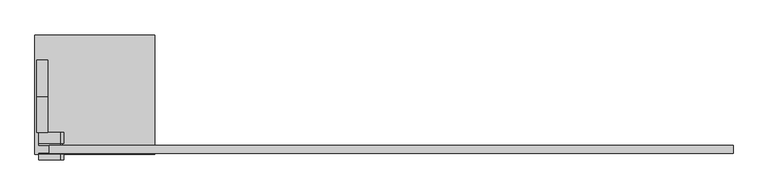
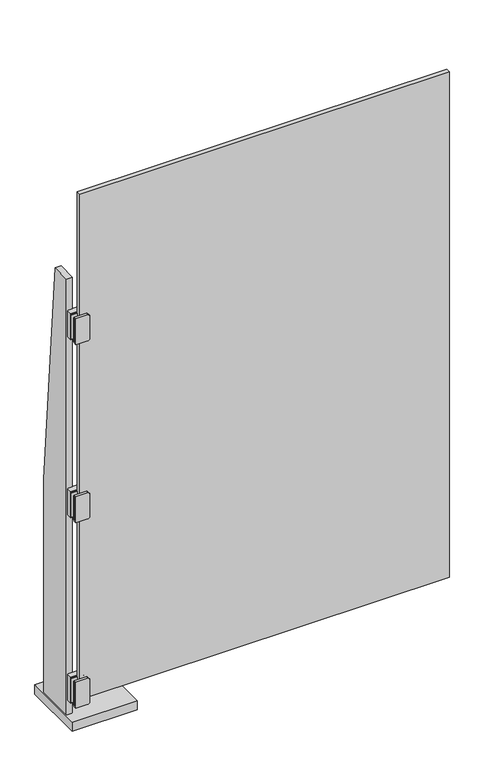
"""IFC4 building model written with IfcOpenShell, lengths in millimetres: plate geometry."""

from ifc_helpers import new_model, si_unit, point, frame, frame_2d, origin, origin_with_axes, place, context, project, spatial, polyline, circle_curve, trimmed, segment, composite_curve, outline, extrude, source, transform, mapped, element, save


def plate_0f1a008a(model_context):
    return source(origin(), model_context, "Body", "SweptSolid", [
        extrude(outline(polyline([(50.8, 762.0), (50.8, 0.0), (-76.2, 0.0), (-76.2, 1524.0), (-12.7, 1524.0), (50.8, 762.0)])), frame((-619.1250002, 0.0, 0.0), z_axis=(1.0, 0.0, 0.0), x_axis=(0.0, 1.0, 0.0)), (0.0, 0.0, 1.0), 19.05),
        extrude(outline(composite_curve([segment(polyline([(168.275, -615.9500002), (85.725, -615.9500002), (85.725, -577.8500002)]), True, "CONTINUOUS"), segment(trimmed(circle_curve(frame_2d((88.9, -577.8500002)), 3.175), [point((85.725, -577.8500002))], [point((88.9, -574.6750002))], False, "CARTESIAN"), True, "CONTINUOUS"), segment(polyline([(88.9, -574.6750002), (165.1, -574.6750002)]), True, "CONTINUOUS"), segment(trimmed(circle_curve(frame_2d((165.1, -577.8500002)), 3.175), [point((165.1, -574.6750002))], [point((168.275, -577.8500002))], False, "CARTESIAN"), True, "CONTINUOUS"), segment(polyline([(168.275, -577.8500002), (168.275, -615.9500002)]), True, "CONTINUOUS")], self_intersect=False)), frame((0.0, -114.3, 0.0), z_axis=(0.0, 1.0, 0.0), x_axis=(0.0, 0.0, 1.0)), (0.0, 0.0, 1.0), 1.5875),
        extrude(outline(composite_curve([segment(polyline([(168.275, -615.9500002), (85.725, -615.9500002), (85.725, -577.8500002)]), True, "CONTINUOUS"), segment(trimmed(circle_curve(frame_2d((88.9, -577.8500002)), 3.175), [point((85.725, -577.8500002))], [point((88.9, -574.6750002))], False, "CARTESIAN"), True, "CONTINUOUS"), segment(polyline([(88.9, -574.6750002), (165.1, -574.6750002)]), True, "CONTINUOUS"), segment(trimmed(circle_curve(frame_2d((165.1, -577.8500002)), 3.175), [point((165.1, -574.6750002))], [point((168.275, -577.8500002))], False, "CARTESIAN"), True, "CONTINUOUS"), segment(polyline([(168.275, -577.8500002), (168.275, -615.9500002)]), True, "CONTINUOUS")], self_intersect=False)), frame((0.0, -98.425, 0.0), z_axis=(0.0, 1.0, 0.0), x_axis=(0.0, 0.0, 1.0)), (0.0, 0.0, 1.0), 3.175),
        extrude(outline(composite_curve([segment(trimmed(circle_curve(frame_2d((165.1, -577.8500002)), 6.35), [point((165.1, -571.5000002))], [point((171.45, -577.8500002))], False, "CARTESIAN"), True, "CONTINUOUS"), segment(polyline([(171.45, -577.8500002), (171.45, -615.9500002), (82.55, -615.9500002), (82.55, -577.8500002)]), True, "CONTINUOUS"), segment(trimmed(circle_curve(frame_2d((88.9, -577.8500002)), 6.35), [point((82.55, -577.8500002))], [point((88.9, -571.5000002))], False, "CARTESIAN"), True, "CONTINUOUS"), segment(polyline([(88.9, -571.5000002), (165.1, -571.5000002)]), True, "CONTINUOUS")], self_intersect=False)), frame((0.0, -123.825, 0.0), z_axis=(0.0, 1.0, 0.0), x_axis=(0.0, 0.0, 1.0)), (0.0, 0.0, 1.0), 9.525),
        extrude(outline(composite_curve([segment(trimmed(circle_curve(frame_2d((165.1, -577.8500002)), 6.35), [point((165.1, -571.5000002))], [point((171.45, -577.8500002))], False, "CARTESIAN"), True, "CONTINUOUS"), segment(polyline([(171.45, -577.8500002), (171.45, -615.9500002), (82.55, -615.9500002), (82.55, -577.8500002)]), True, "CONTINUOUS"), segment(trimmed(circle_curve(frame_2d((88.9, -577.8500002)), 6.35), [point((82.55, -577.8500002))], [point((88.9, -571.5000002))], False, "CARTESIAN"), True, "CONTINUOUS"), segment(polyline([(88.9, -571.5000002), (165.1, -571.5000002)]), True, "CONTINUOUS")], self_intersect=False)), frame((0.0, -95.25, 0.0), z_axis=(0.0, 1.0, 0.0), x_axis=(0.0, 0.0, 1.0)), (0.0, 0.0, 1.0), 19.05),
        extrude(outline(polyline([(-412.7500002, 95.25), (-412.7500002, -114.3), (-622.3000002, -114.3), (-622.3000002, 95.25), (-412.7500002, 95.25)])), origin_with_axes(), (0.0, 0.0, 1.0), 31.75),
        extrude(outline(composite_curve([segment(polyline([(1412.875, -615.9500002), (1330.325, -615.9500002), (1330.325, -577.8500002)]), True, "CONTINUOUS"), segment(trimmed(circle_curve(frame_2d((1333.5, -577.8500002)), 3.175), [point((1330.325, -577.8500002))], [point((1333.5, -574.6750002))], False, "CARTESIAN"), True, "CONTINUOUS"), segment(polyline([(1333.5, -574.6750002), (1409.7, -574.6750002)]), True, "CONTINUOUS"), segment(trimmed(circle_curve(frame_2d((1409.7, -577.8500002)), 3.175), [point((1409.7, -574.6750002))], [point((1412.875, -577.8500002))], False, "CARTESIAN"), True, "CONTINUOUS"), segment(polyline([(1412.875, -577.8500002), (1412.875, -615.9500002)]), True, "CONTINUOUS")], self_intersect=False)), frame((0.0, -114.3, 0.0), z_axis=(0.0, 1.0, 0.0), x_axis=(0.0, 0.0, 1.0)), (0.0, 0.0, 1.0), 1.5875),
        extrude(outline(composite_curve([segment(polyline([(1412.875, -615.9500002), (1330.325, -615.9500002), (1330.325, -577.8500002)]), True, "CONTINUOUS"), segment(trimmed(circle_curve(frame_2d((1333.5, -577.8500002)), 3.175), [point((1330.325, -577.8500002))], [point((1333.5, -574.6750002))], False, "CARTESIAN"), True, "CONTINUOUS"), segment(polyline([(1333.5, -574.6750002), (1409.7, -574.6750002)]), True, "CONTINUOUS"), segment(trimmed(circle_curve(frame_2d((1409.7, -577.8500002)), 3.175), [point((1409.7, -574.6750002))], [point((1412.875, -577.8500002))], False, "CARTESIAN"), True, "CONTINUOUS"), segment(polyline([(1412.875, -577.8500002), (1412.875, -615.9500002)]), True, "CONTINUOUS")], self_intersect=False)), frame((0.0, -98.425, 0.0), z_axis=(0.0, 1.0, 0.0), x_axis=(0.0, 0.0, 1.0)), (0.0, 0.0, 1.0), 3.175),
        extrude(outline(composite_curve([segment(trimmed(circle_curve(frame_2d((1409.7, -577.8500002)), 6.35), [point((1409.7, -571.5000002))], [point((1416.05, -577.8500002))], False, "CARTESIAN"), True, "CONTINUOUS"), segment(polyline([(1416.05, -577.8500002), (1416.05, -615.9500002), (1327.15, -615.9500002), (1327.15, -577.8500002)]), True, "CONTINUOUS"), segment(trimmed(circle_curve(frame_2d((1333.5, -577.8500002)), 6.35), [point((1327.15, -577.8500002))], [point((1333.5, -571.5000002))], False, "CARTESIAN"), True, "CONTINUOUS"), segment(polyline([(1333.5, -571.5000002), (1409.7, -571.5000002)]), True, "CONTINUOUS")], self_intersect=False)), frame((0.0, -123.825, 0.0), z_axis=(0.0, 1.0, 0.0), x_axis=(0.0, 0.0, 1.0)), (0.0, 0.0, 1.0), 9.525),
        extrude(outline(composite_curve([segment(trimmed(circle_curve(frame_2d((1409.7, -577.8500002)), 6.35), [point((1409.7, -571.5000002))], [point((1416.05, -577.8500002))], False, "CARTESIAN"), True, "CONTINUOUS"), segment(polyline([(1416.05, -577.8500002), (1416.05, -615.9500002), (1327.15, -615.9500002), (1327.15, -577.8500002)]), True, "CONTINUOUS"), segment(trimmed(circle_curve(frame_2d((1333.5, -577.8500002)), 6.35), [point((1327.15, -577.8500002))], [point((1333.5, -571.5000002))], False, "CARTESIAN"), True, "CONTINUOUS"), segment(polyline([(1333.5, -571.5000002), (1409.7, -571.5000002)]), True, "CONTINUOUS")], self_intersect=False)), frame((0.0, -95.25, 0.0), z_axis=(0.0, 1.0, 0.0), x_axis=(0.0, 0.0, 1.0)), (0.0, 0.0, 1.0), 19.05),
        extrude(outline(composite_curve([segment(polyline([(803.275, -615.9500002), (720.725, -615.9500002), (720.725, -577.8500002)]), True, "CONTINUOUS"), segment(trimmed(circle_curve(frame_2d((723.9, -577.8500002)), 3.175), [point((720.725, -577.8500002))], [point((723.9, -574.6750002))], False, "CARTESIAN"), True, "CONTINUOUS"), segment(polyline([(723.9, -574.6750002), (800.1, -574.6750002)]), True, "CONTINUOUS"), segment(trimmed(circle_curve(frame_2d((800.1, -577.8500002)), 3.175), [point((800.1, -574.6750002))], [point((803.275, -577.8500002))], False, "CARTESIAN"), True, "CONTINUOUS"), segment(polyline([(803.275, -577.8500002), (803.275, -615.9500002)]), True, "CONTINUOUS")], self_intersect=False)), frame((0.0, -114.3, 0.0), z_axis=(0.0, 1.0, 0.0), x_axis=(0.0, 0.0, 1.0)), (0.0, 0.0, 1.0), 1.5875),
        extrude(outline(composite_curve([segment(polyline([(803.275, -615.9500002), (720.725, -615.9500002), (720.725, -577.8500002)]), True, "CONTINUOUS"), segment(trimmed(circle_curve(frame_2d((723.9, -577.8500002)), 3.175), [point((720.725, -577.8500002))], [point((723.9, -574.6750002))], False, "CARTESIAN"), True, "CONTINUOUS"), segment(polyline([(723.9, -574.6750002), (800.1, -574.6750002)]), True, "CONTINUOUS"), segment(trimmed(circle_curve(frame_2d((800.1, -577.8500002)), 3.175), [point((800.1, -574.6750002))], [point((803.275, -577.8500002))], False, "CARTESIAN"), True, "CONTINUOUS"), segment(polyline([(803.275, -577.8500002), (803.275, -615.9500002)]), True, "CONTINUOUS")], self_intersect=False)), frame((0.0, -98.425, 0.0), z_axis=(0.0, 1.0, 0.0), x_axis=(0.0, 0.0, 1.0)), (0.0, 0.0, 1.0), 3.175),
        extrude(outline(composite_curve([segment(trimmed(circle_curve(frame_2d((800.1, -577.8500002)), 6.35), [point((800.1, -571.5000002))], [point((806.45, -577.8500002))], False, "CARTESIAN"), True, "CONTINUOUS"), segment(polyline([(806.45, -577.8500002), (806.45, -615.9500002), (717.55, -615.9500002), (717.55, -577.8500002)]), True, "CONTINUOUS"), segment(trimmed(circle_curve(frame_2d((723.9, -577.8500002)), 6.35), [point((717.55, -577.8500002))], [point((723.9, -571.5000002))], False, "CARTESIAN"), True, "CONTINUOUS"), segment(polyline([(723.9, -571.5000002), (800.1, -571.5000002)]), True, "CONTINUOUS")], self_intersect=False)), frame((0.0, -123.825, 0.0), z_axis=(0.0, 1.0, 0.0), x_axis=(0.0, 0.0, 1.0)), (0.0, 0.0, 1.0), 9.525),
        extrude(outline(composite_curve([segment(trimmed(circle_curve(frame_2d((800.1, -577.8500002)), 6.35), [point((800.1, -571.5000002))], [point((806.45, -577.8500002))], False, "CARTESIAN"), True, "CONTINUOUS"), segment(polyline([(806.45, -577.8500002), (806.45, -615.9500002), (717.55, -615.9500002), (717.55, -577.8500002)]), True, "CONTINUOUS"), segment(trimmed(circle_curve(frame_2d((723.9, -577.8500002)), 6.35), [point((717.55, -577.8500002))], [point((723.9, -571.5000002))], False, "CARTESIAN"), True, "CONTINUOUS"), segment(polyline([(723.9, -571.5000002), (800.1, -571.5000002)]), True, "CONTINUOUS")], self_intersect=False)), frame((0.0, -95.25, 0.0), z_axis=(0.0, 1.0, 0.0), x_axis=(0.0, 0.0, 1.0)), (0.0, 0.0, 1.0), 19.05),
        extrude(outline(polyline([(600.0750002, -98.425), (600.0750002, -112.7125), (-596.9000002, -112.7125), (-596.9000002, -98.425), (600.0750002, -98.425)])), frame((0.0, 0.0, 98.425), z_axis=(0.0, 0.0, 1.0), x_axis=(1.0, 0.0, 0.0)), (0.0, 0.0, 1.0), 1730.375),
    ])


if __name__ == "__main__":
    model = new_model("IFC4")
    model_context = context("Model", 3, world=origin())
    ifc_project = project(units=[si_unit("LENGTHUNIT", "METRE", prefix="MILLI")], contexts=[model_context])
    site = spatial("IfcSite", under=ifc_project)
    building = spatial("IfcBuilding", under=site)
    placement = place(None, origin())
    plate_shape = plate_0f1a008a(model_context)
    element("IfcPlate", 1, at=placement, inside=building, context=model_context, shape_type="MappedRepresentation", body=[
        mapped(plate_shape, transform((0.0, 0.0, 0.0), x_axis=(1.0, 0.0, 0.0), y_axis=(0.0, 1.0, 0.0), z_axis=(0.0, 0.0, 1.0))),
    ])
    save(model, "model.ifc")
